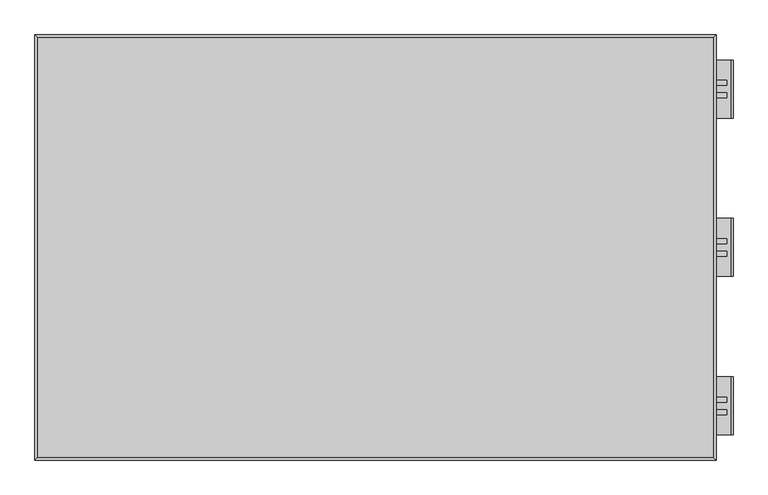
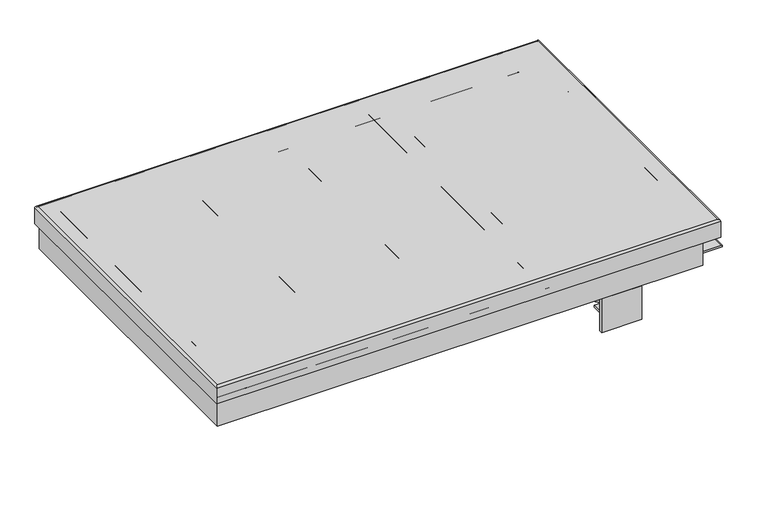
"""IFC4 building model written with IfcOpenShell, lengths in millimetres: proxy geometry."""

import ifcopenshell
import ifcopenshell.guid

model = None  # the IFC model being written
_history = None  # IfcOwnerHistory: only IFC2X3 demands one
_inside = {}  # id of a spatial element -> (the spatial element, [elements in it])
_under = {}  # id of a project, library or spatial element -> (it, [spatial elements below it])
_declared = {}  # id of a project -> (the project, [libraries it declares])
_typed = {}  # id of a type object -> (the type object, [elements of that type])
_made_of = {}  # id of a material, layer set ... -> (it, [elements and type objects made of it])


def new_model(schema):
    """Start an empty IFC model of exactly this schema.

    Asked for "IFC4X3", IfcOpenShell would pick the latest addendum, in which some entities
    have other attributes; the version numbers below select the first issue.
    IFC2X3 requires an IfcOwnerHistory on every rooted entity: one is made here for all.
    """
    global model, _history
    if schema == "IFC4X3":
        model = ifcopenshell.file(schema_version=(4, 3, 0, 0))
    else:
        model = ifcopenshell.file(schema=schema)
    _inside.clear()
    _under.clear()
    _declared.clear()
    _typed.clear()
    _made_of.clear()
    _history = None
    if model.schema == "IFC2X3":
        org = make("IfcOrganization", Name="unknown")
        user = make(
            "IfcPersonAndOrganization",
            ThePerson=make("IfcPerson", FamilyName="unknown"),
            TheOrganization=org,
        )
        app = make(
            "IfcApplication",
            ApplicationDeveloper=org,
            Version="unknown",
            ApplicationFullName="unknown",
            ApplicationIdentifier="unknown",
        )
        _history = make(
            "IfcOwnerHistory",
            OwningUser=user,
            OwningApplication=app,
            ChangeAction="ADDED",
            CreationDate=0,
        )
    return model


def make(cls, **values):
    """One entity of the class cls with the attributes given. An attribute that is None is left unset."""
    return model.create_entity(
        cls, **{name: value for name, value in values.items() if value is not None}
    )


def rooted(cls, **values):
    """An entity with a GlobalId (a new one), such as an element, a storey or a relation."""
    return make(cls, GlobalId=ifcopenshell.guid.new(), OwnerHistory=_history, **values)


def si_unit(unit_type, name, prefix=None):
    """IfcSIUnit, for example si_unit("LENGTHUNIT", "METRE", prefix="MILLI")."""
    return make("IfcSIUnit", UnitType=unit_type, Prefix=prefix, Name=name)


def assignment(units):
    """IfcUnitAssignment: the units of a project."""
    return None if units is None else make("IfcUnitAssignment", Units=units)


def point(xyz):
    """IfcCartesianPoint."""
    return None if xyz is None else make("IfcCartesianPoint", Coordinates=xyz)


def direction(xyz):
    """IfcDirection."""
    return None if xyz is None else make("IfcDirection", DirectionRatios=xyz)


def frame(location, z_axis=None, x_axis=None):
    """IfcAxis2Placement3D, a coordinate frame: its origin and axes. An axis left out is left unset."""
    return make(
        "IfcAxis2Placement3D",
        Location=point(location),
        Axis=direction(z_axis),
        RefDirection=direction(x_axis),
    )


def frame_2d(location, x_axis=None):
    """IfcAxis2Placement2D, a coordinate frame in the plane: its origin and x axis."""
    return make(
        "IfcAxis2Placement2D", Location=point(location), RefDirection=direction(x_axis)
    )


def origin():
    """The frame at (0, 0, 0) with its axes left unset."""
    return frame((0.0, 0.0, 0.0))


def origin_with_axes():
    """The frame at (0, 0, 0) with the z axis (0, 0, 1) and the x axis (1, 0, 0) written out."""
    return frame((0.0, 0.0, 0.0), z_axis=(0.0, 0.0, 1.0), x_axis=(1.0, 0.0, 0.0))


def origin_2d():
    """The frame at (0, 0) in the plane with its x axis left unset."""
    return frame_2d((0.0, 0.0))


def place(relative_to, where):
    """IfcLocalPlacement: puts the frame where relative to a parent placement (None: the world)."""
    return make(
        "IfcLocalPlacement", PlacementRelTo=relative_to, RelativePlacement=where
    )


def context(
    kind, dimensions, precision=None, world=None, true_north=None, identifier=None
):
    """IfcGeometricRepresentationContext, for example the 3D "Model" context."""
    return make(
        "IfcGeometricRepresentationContext",
        ContextIdentifier=identifier,
        ContextType=kind,
        CoordinateSpaceDimension=dimensions,
        Precision=precision,
        WorldCoordinateSystem=world,
        TrueNorth=true_north,
    )


def project(units=None, contexts=None):
    """IfcProject with its units and contexts."""
    return rooted(
        "IfcProject",
        Name="project",
        RepresentationContexts=contexts,
        UnitsInContext=assignment(units),
    )


def spatial(cls, under=None, at=None, **own):
    """A site, building, storey or space (cls), placed at a placement, below another one or the project."""
    s = rooted(cls, ObjectPlacement=at, **own)
    if under is not None:
        _under.setdefault(under.id(), (under, []))[1].append(s)
    return s


def polyline(points):
    """IfcPolyline through the points."""
    return make("IfcPolyline", Points=[point(p) for p in points])


def circle_curve(where, radius):
    """IfcCircle in the frame where."""
    return make("IfcCircle", Position=where, Radius=radius)


def ellipse_curve(where, semi_axis1, semi_axis2):
    """IfcEllipse in the frame where."""
    return make(
        "IfcEllipse", Position=where, SemiAxis1=semi_axis1, SemiAxis2=semi_axis2
    )


def trimmed(basis, trim1, trim2, sense, master):
    """IfcTrimmedCurve: the piece of a basis curve between two trims."""
    return make(
        "IfcTrimmedCurve",
        BasisCurve=basis,
        Trim1=trim1,
        Trim2=trim2,
        SenseAgreement=sense,
        MasterRepresentation=master,
    )


def segment(curve, same_sense, transition):
    """IfcCompositeCurveSegment."""
    return make(
        "IfcCompositeCurveSegment",
        Transition=transition,
        SameSense=same_sense,
        ParentCurve=curve,
    )


def composite_curve(segments, self_intersect=None):
    """IfcCompositeCurve: segments joined end to end."""
    return make("IfcCompositeCurve", Segments=segments, SelfIntersect=self_intersect)


def outline(outer, holes=None, kind="AREA"):
    """IfcArbitraryClosedProfileDef: a profile drawn as a closed curve; with holes, ...WithVoids."""
    if holes is None:
        return make("IfcArbitraryClosedProfileDef", ProfileType=kind, OuterCurve=outer)
    return make(
        "IfcArbitraryProfileDefWithVoids",
        ProfileType=kind,
        OuterCurve=outer,
        InnerCurves=holes,
    )


def extrude(swept, where, along, depth):
    """IfcExtrudedAreaSolid: the profile swept, set in the frame where, extruded along a direction by depth."""
    return make(
        "IfcExtrudedAreaSolid",
        SweptArea=swept,
        Position=where,
        ExtrudedDirection=direction(along),
        Depth=depth,
    )


def shape(context_of_items, identifier, shape_type, items):
    """IfcShapeRepresentation: the items that make up one representation, for example the "Body"."""
    return make(
        "IfcShapeRepresentation",
        ContextOfItems=context_of_items,
        RepresentationIdentifier=identifier,
        RepresentationType=shape_type,
        Items=items,
    )


def source(mapping_origin, context_of_items, identifier, shape_type, items):
    """IfcRepresentationMap: a shape defined once, which mapped items show again and again."""
    return make(
        "IfcRepresentationMap",
        MappingOrigin=mapping_origin,
        MappedRepresentation=shape(context_of_items, identifier, shape_type, items),
    )


def transform(
    local_origin,
    x_axis=None,
    y_axis=None,
    z_axis=None,
    scale=None,
    scale2=None,
    scale3=None,
    uniform=True,
):
    """IfcCartesianTransformationOperator3D, or its non-uniform kind. x_axis, y_axis, z_axis: its Axis1, 2, 3."""
    if uniform:
        return make(
            "IfcCartesianTransformationOperator3D",
            Axis1=direction(x_axis),
            Axis2=direction(y_axis),
            LocalOrigin=point(local_origin),
            Scale=scale,
            Axis3=direction(z_axis),
        )
    return make(
        "IfcCartesianTransformationOperator3DnonUniform",
        Axis1=direction(x_axis),
        Axis2=direction(y_axis),
        LocalOrigin=point(local_origin),
        Scale=scale,
        Axis3=direction(z_axis),
        Scale2=scale2,
        Scale3=scale3,
    )


def mapped(mapping_source, mapping_target):
    """IfcMappedItem: shows the shape of a source again, moved by a transform."""
    return make(
        "IfcMappedItem", MappingSource=mapping_source, MappingTarget=mapping_target
    )


def made_of(thing, what):
    """Note that an element or type object is made of a material, layer set ...; save() writes the relation."""
    if what is not None:
        _made_of.setdefault(what.id(), (what, []))[1].append(thing)
    return thing


def element(
    cls,
    number,
    at=None,
    inside=None,
    cuts=None,
    type_object=None,
    material=None,
    context=None,
    identifier="Body",
    shape_type=None,
    held_by="IfcProductDefinitionShape",
    body=None,
    shapes=None,
    **own,
):
    """One element of the class cls, such as IfcWall. Its Tag is "e" and its number.

    at: its placement. inside: the storey or other place that contains it. cuts: it is an
    opening in that element (IfcRelVoidsElement). A single representation is given by context,
    identifier, shape_type and body (its items); several are given by shapes. held_by: the class
    of the entity that holds the representations. save() writes the other relations.
    """
    e = rooted(cls, Tag="e%d" % number, ObjectPlacement=at, **own)
    if body is not None:
        shapes = [shape(context, identifier, shape_type, body)]
    if shapes is not None:
        e.Representation = make(held_by, Representations=shapes)
    if inside is not None:
        _inside.setdefault(inside.id(), (inside, []))[1].append(e)
    if cuts is not None:
        rooted(
            "IfcRelVoidsElement", RelatingBuildingElement=cuts, RelatedOpeningElement=e
        )
    if type_object is not None:
        _typed.setdefault(type_object.id(), (type_object, []))[1].append(e)
    return made_of(e, material)


def aggregate(whole, parts):
    """IfcRelAggregates: a whole, such as a stair, and the parts it consists of."""
    return rooted("IfcRelAggregates", RelatingObject=whole, RelatedObjects=parts)


def save(model, path):
    """Write the relations noted so far, then the file.

    IfcRelAggregates (storeys below a building ...), IfcRelContainedInSpatialStructure (elements
    in a storey), IfcRelDefinesByType, IfcRelAssociatesMaterial and IfcRelDeclares: one each for
    every whole, place, type object, material and project.
    """
    for whole, parts in _under.values():
        aggregate(whole, parts)
    for where, things in _inside.values():
        rooted(
            "IfcRelContainedInSpatialStructure",
            RelatedElements=things,
            RelatingStructure=where,
        )
    for kind, things in _typed.values():
        rooted("IfcRelDefinesByType", RelatedObjects=things, RelatingType=kind)
    for what, things in _made_of.values():
        rooted("IfcRelAssociatesMaterial", RelatedObjects=things, RelatingMaterial=what)
    for by, libraries in _declared.values():
        rooted("IfcRelDeclares", RelatingContext=by, RelatedDefinitions=libraries)
    model.write(path)


def plane_surface(at):
    """IfcPlane: the flat surface through the origin of the frame at, square to its z axis."""
    return make("IfcPlane", Position=at)


def cylinder_surface(at, radius):
    """IfcCylindricalSurface: all points at the distance radius from the z axis of the frame at."""
    return make("IfcCylindricalSurface", Position=at, Radius=radius)


def revolved_surface(curve, axis_point, axis_direction):
    """IfcSurfaceOfRevolution: the curve turned about the line through axis_point along axis_direction."""
    return make(
        "IfcSurfaceOfRevolution",
        SweptCurve=make("IfcArbitraryOpenProfileDef", ProfileType="CURVE", Curve=curve),
        AxisPosition=make("IfcAxis1Placement", Location=point(axis_point), Axis=direction(axis_direction)),
    )


def advanced_brep(points, edges, surfaces, faces):
    """IfcAdvancedBrep: a solid bounded by faces that lie on surfaces and meet in shared edges.

    An edge is (start, end): straight between two places in points (the first is 0);
    or (start, end, curve); or (start, end, curve, False) where it runs against its curve.
    A face is (place in surfaces, loops), or (place, loops, False) where it looks against
    its surface's normal. A loop lists edges by number (the first is 1), with a minus sign
    where the edge is run from its end to its start. The first loop is the outer one.
    """
    corners = [point(p) for p in points]
    vertices = [make("IfcVertexPoint", VertexGeometry=c) for c in corners]
    made = []
    for start, end, *more in edges:
        made.append(
            make(
                "IfcEdgeCurve",
                EdgeStart=vertices[start],
                EdgeEnd=vertices[end],
                EdgeGeometry=more[0] if more else make("IfcPolyline", Points=[corners[start], corners[end]]),
                SameSense=more[1] if len(more) > 1 else True,
            )
        )
    hull = []
    for where, loops, *sense in faces:
        bounds = []
        for j, loop in enumerate(loops):
            ring = [make("IfcOrientedEdge", EdgeElement=made[abs(k) - 1], Orientation=k > 0) for k in loop]
            bounds.append(
                make(
                    "IfcFaceOuterBound" if j == 0 else "IfcFaceBound",
                    Bound=make("IfcEdgeLoop", EdgeList=ring),
                    Orientation=True,
                )
            )
        hull.append(make("IfcAdvancedFace", Bounds=bounds, FaceSurface=surfaces[where], SameSense=sense[0] if sense else True))
    return make("IfcAdvancedBrep", Outer=make("IfcClosedShell", CfsFaces=hull))


def generic_models_17fe11a5(model_context):
    return source(origin(), model_context, "Body", "SolidModel", [
        extrude(outline(composite_curve([segment(trimmed(circle_curve(frame_2d((213.0, 644.5)), 8.0), [point((205.0, 644.5))], [point((213.0, 652.5))], False, "CARTESIAN"), True, "CONTINUOUS"), segment(polyline([(213.0, 652.5), (297.0, 652.5)]), True, "CONTINUOUS"), segment(trimmed(circle_curve(frame_2d((297.0, 644.5)), 8.0), [point((297.0, 652.5))], [point((305.0, 644.5))], False, "CARTESIAN"), True, "CONTINUOUS"), segment(polyline([(305.0, 644.5), (305.0, 610.5)]), True, "CONTINUOUS"), segment(trimmed(circle_curve(frame_2d((297.0, 610.5)), 8.0), [point((305.0, 610.5))], [point((297.0, 602.5))], False, "CARTESIAN"), True, "CONTINUOUS"), segment(polyline([(297.0, 602.5), (213.0, 602.5)]), True, "CONTINUOUS"), segment(trimmed(circle_curve(frame_2d((213.0, 610.5)), 8.0), [point((213.0, 602.5))], [point((205.0, 610.5))], False, "CARTESIAN"), True, "CONTINUOUS"), segment(polyline([(205.0, 610.5), (205.0, 644.5)]), True, "CONTINUOUS")], self_intersect=False)), frame((0.0, -935.0, 0.0), z_axis=(0.0, 1.0, 0.0), x_axis=(0.0, 0.0, 1.0)), (0.0, 0.0, 1.0), 1870.0),
        extrude(outline(composite_curve([segment(trimmed(circle_curve(frame_2d((213.0, -80.5)), 8.0), [point((205.0, -80.5))], [point((213.0, -72.5))], False, "CARTESIAN"), True, "CONTINUOUS"), segment(polyline([(213.0, -72.5), (297.0, -72.5)]), True, "CONTINUOUS"), segment(trimmed(circle_curve(frame_2d((297.0, -80.5)), 8.0), [point((297.0, -72.5))], [point((305.0, -80.5))], False, "CARTESIAN"), True, "CONTINUOUS"), segment(polyline([(305.0, -80.5), (305.0, -114.5)]), True, "CONTINUOUS"), segment(trimmed(circle_curve(frame_2d((297.0, -114.5)), 8.0), [point((305.0, -114.5))], [point((297.0, -122.5))], False, "CARTESIAN"), True, "CONTINUOUS"), segment(polyline([(297.0, -122.5), (213.0, -122.5)]), True, "CONTINUOUS"), segment(trimmed(circle_curve(frame_2d((213.0, -114.5)), 8.0), [point((213.0, -122.5))], [point((205.0, -114.5))], False, "CARTESIAN"), True, "CONTINUOUS"), segment(polyline([(205.0, -114.5), (205.0, -80.5)]), True, "CONTINUOUS")], self_intersect=False)), frame((0.0, -935.0, 0.0), z_axis=(0.0, 1.0, 0.0), x_axis=(0.0, 0.0, 1.0)), (0.0, 0.0, 1.0), 1870.0),
        extrude(outline(composite_curve([segment(trimmed(circle_curve(frame_2d((213.0, -805.5)), 8.0), [point((205.0, -805.5))], [point((213.0, -797.5))], False, "CARTESIAN"), True, "CONTINUOUS"), segment(polyline([(213.0, -797.5), (297.0, -797.5)]), True, "CONTINUOUS"), segment(trimmed(circle_curve(frame_2d((297.0, -805.5)), 8.0), [point((297.0, -797.5))], [point((305.0, -805.5))], False, "CARTESIAN"), True, "CONTINUOUS"), segment(polyline([(305.0, -805.5), (305.0, -839.5)]), True, "CONTINUOUS"), segment(trimmed(circle_curve(frame_2d((297.0, -839.5)), 8.0), [point((305.0, -839.5))], [point((297.0, -847.5))], False, "CARTESIAN"), True, "CONTINUOUS"), segment(polyline([(297.0, -847.5), (213.0, -847.5)]), True, "CONTINUOUS"), segment(trimmed(circle_curve(frame_2d((213.0, -839.5)), 8.0), [point((213.0, -847.5))], [point((205.0, -839.5))], False, "CARTESIAN"), True, "CONTINUOUS"), segment(polyline([(205.0, -839.5), (205.0, -805.5)]), True, "CONTINUOUS")], self_intersect=False)), frame((0.0, -935.0, 0.0), z_axis=(0.0, 1.0, 0.0), x_axis=(0.0, 0.0, 1.0)), (0.0, 0.0, 1.0), 1870.0),
        extrude(outline(composite_curve([segment(trimmed(circle_curve(origin_2d(), 30.0), [point((0.0, -30.0))], [point((0.0, 30.0))], False, "CARTESIAN"), True, "CONTINUOUS"), segment(trimmed(circle_curve(origin_2d(), 30.0), [point((0.0, 30.0))], [point((0.0, -30.0))], False, "CARTESIAN"), True, "CONTINUOUS")], self_intersect=False)), frame((1165.277992, 795.0, -229.5871707), z_axis=(-0.8670000719043638, 0.0, 0.49830801249611495), x_axis=(0.0, 1.0, 0.0)), (0.0, 0.0, 1.0), 710.0),
        extrude(outline(composite_curve([segment(trimmed(circle_curve(frame_2d((-255.0008793, 1209.4949957)), 32.5), [point((-283.1783817, 1193.2999853))], [point((-226.823377, 1225.6900061))], False, "CARTESIAN"), True, "CONTINUOUS"), segment(polyline([(-226.823377, 1225.6900061), (-201.4096684, 1181.4730024), (-257.764673, 1149.0829816), (-283.1783817, 1193.2999853)]), True, "CONTINUOUS")], self_intersect=False)), frame((0.0, 782.5, 0.0), z_axis=(0.0, 1.0, 0.0), x_axis=(0.0, 0.0, 1.0)), (0.0, 0.0, 1.0), 25.0),
        extrude(outline(composite_curve([segment(polyline([(102.5874068, 537.2794899), (145.8356295, 562.136392), (180.8022099, 515.025811)]), True, "CONTINUOUS"), segment(trimmed(circle_curve(frame_2d((155.1066149, 495.9539365)), 32.0), [point((180.8022099, 515.025811))], [point((125.6926498, 483.351609))], False, "CARTESIAN"), True, "CONTINUOUS"), segment(polyline([(125.6926498, 483.351609), (102.5874068, 537.2794899)]), True, "CONTINUOUS")], self_intersect=False)), frame((0.0, 782.5, 0.0), z_axis=(0.0, 1.0, 0.0), x_axis=(0.0, 0.0, 1.0)), (0.0, 0.0, 1.0), 25.0),
        extrude(outline(composite_curve([segment(polyline([(179.644661, 430.4268695), (133.7867966, 476.2847339)]), True, "CONTINUOUS"), segment(trimmed(circle_curve(frame_2d((155.0000001, 497.4979373)), 30.0), [point((133.7867966, 476.2847339))], [point((155.0000001, 527.4979373))], False, "CARTESIAN"), True, "CONTINUOUS"), segment(polyline([(155.0000001, 527.4979373), (205.0000001, 527.4979373), (205.0000001, 427.4979373), (186.7157288, 427.4979373)]), True, "CONTINUOUS"), segment(trimmed(circle_curve(frame_2d((186.7157288, 437.4979373)), 10.0), [point((186.7157288, 427.4979373))], [point((179.644661, 430.4268695))], False, "CARTESIAN"), True, "CONTINUOUS")], self_intersect=False)), frame((0.0, 760.0, 0.0), z_axis=(0.0, 1.0, 0.0), x_axis=(0.0, 0.0, 1.0)), (0.0, 0.0, 1.0), 20.0),
        extrude(outline(composite_curve([segment(polyline([(179.644661, 430.4268695), (133.7867966, 476.2847339)]), True, "CONTINUOUS"), segment(trimmed(circle_curve(frame_2d((155.0000001, 497.4979373)), 30.0), [point((133.7867966, 476.2847339))], [point((155.0000001, 527.4979373))], False, "CARTESIAN"), True, "CONTINUOUS"), segment(polyline([(155.0000001, 527.4979373), (205.0000001, 527.4979373), (205.0000001, 427.4979373), (186.7157288, 427.4979373)]), True, "CONTINUOUS"), segment(trimmed(circle_curve(frame_2d((186.7157288, 437.4979373)), 10.0), [point((186.7157288, 427.4979373))], [point((179.644661, 430.4268695))], False, "CARTESIAN"), True, "CONTINUOUS")], self_intersect=False)), frame((0.0, 810.0, 0.0), z_axis=(0.0, 1.0, 0.0), x_axis=(0.0, 0.0, 1.0)), (0.0, 0.0, 1.0), 20.0),
        extrude(outline(composite_curve([segment(trimmed(circle_curve(origin_2d(), 30.0), [point((0.0, -30.0))], [point((0.0, 30.0))], False, "CARTESIAN"), True, "CONTINUOUS"), segment(trimmed(circle_curve(origin_2d(), 30.0), [point((0.0, 30.0))], [point((0.0, -30.0))], False, "CARTESIAN"), True, "CONTINUOUS")], self_intersect=False)), frame((1165.277992, -795.0, -229.5871707), z_axis=(-0.8670000719043638, 0.0, 0.49830801249611495), x_axis=(0.0, 1.0, 0.0)), (0.0, 0.0, 1.0), 710.0),
        extrude(outline(composite_curve([segment(trimmed(circle_curve(frame_2d((-255.0008793, 1209.4949957)), 32.5), [point((-283.1783817, 1193.2999853))], [point((-226.823377, 1225.6900061))], False, "CARTESIAN"), True, "CONTINUOUS"), segment(polyline([(-226.823377, 1225.6900061), (-201.4096684, 1181.4730024), (-257.764673, 1149.0829816), (-283.1783817, 1193.2999853)]), True, "CONTINUOUS")], self_intersect=False)), frame((0.0, -807.5, 0.0), z_axis=(0.0, 1.0, 0.0), x_axis=(0.0, 0.0, 1.0)), (0.0, 0.0, 1.0), 25.0),
        extrude(outline(composite_curve([segment(polyline([(102.5874068, 537.2794899), (145.8356295, 562.136392), (180.8022099, 515.025811)]), True, "CONTINUOUS"), segment(trimmed(circle_curve(frame_2d((155.1066149, 495.9539365)), 32.0), [point((180.8022099, 515.025811))], [point((125.6926498, 483.351609))], False, "CARTESIAN"), True, "CONTINUOUS"), segment(polyline([(125.6926498, 483.351609), (102.5874068, 537.2794899)]), True, "CONTINUOUS")], self_intersect=False)), frame((0.0, -807.5, 0.0), z_axis=(0.0, 1.0, 0.0), x_axis=(0.0, 0.0, 1.0)), (0.0, 0.0, 1.0), 25.0),
        extrude(outline(composite_curve([segment(polyline([(179.644661, 430.4268695), (133.7867966, 476.2847339)]), True, "CONTINUOUS"), segment(trimmed(circle_curve(frame_2d((155.0000001, 497.4979373)), 30.0), [point((133.7867966, 476.2847339))], [point((155.0000001, 527.4979373))], False, "CARTESIAN"), True, "CONTINUOUS"), segment(polyline([(155.0000001, 527.4979373), (205.0000001, 527.4979373), (205.0000001, 427.4979373), (186.7157288, 427.4979373)]), True, "CONTINUOUS"), segment(trimmed(circle_curve(frame_2d((186.7157288, 437.4979373)), 10.0), [point((186.7157288, 427.4979373))], [point((179.644661, 430.4268695))], False, "CARTESIAN"), True, "CONTINUOUS")], self_intersect=False)), frame((0.0, -830.0, 0.0), z_axis=(0.0, 1.0, 0.0), x_axis=(0.0, 0.0, 1.0)), (0.0, 0.0, 1.0), 20.0),
        extrude(outline(composite_curve([segment(polyline([(179.644661, 430.4268695), (133.7867966, 476.2847339)]), True, "CONTINUOUS"), segment(trimmed(circle_curve(frame_2d((155.0000001, 497.4979373)), 30.0), [point((133.7867966, 476.2847339))], [point((155.0000001, 527.4979373))], False, "CARTESIAN"), True, "CONTINUOUS"), segment(polyline([(155.0000001, 527.4979373), (205.0000001, 527.4979373), (205.0000001, 427.4979373), (186.7157288, 427.4979373)]), True, "CONTINUOUS"), segment(trimmed(circle_curve(frame_2d((186.7157288, 437.4979373)), 10.0), [point((186.7157288, 427.4979373))], [point((179.644661, 430.4268695))], False, "CARTESIAN"), True, "CONTINUOUS")], self_intersect=False)), frame((0.0, -780.0, 0.0), z_axis=(0.0, 1.0, 0.0), x_axis=(0.0, 0.0, 1.0)), (0.0, 0.0, 1.0), 20.0),
        extrude(outline(composite_curve([segment(trimmed(circle_curve(frame_2d((213.0, 519.4979373)), 8.0), [point((205.0, 519.4979373))], [point((213.0, 527.4979373))], False, "CARTESIAN"), True, "CONTINUOUS"), segment(polyline([(213.0, 527.4979373), (297.0, 527.4979373)]), True, "CONTINUOUS"), segment(trimmed(circle_curve(frame_2d((297.0, 519.4979373)), 8.0), [point((297.0, 527.4979373))], [point((305.0, 519.4979373))], False, "CARTESIAN"), True, "CONTINUOUS"), segment(polyline([(305.0, 519.4979373), (305.0, 435.4979373)]), True, "CONTINUOUS"), segment(trimmed(circle_curve(frame_2d((297.0, 435.4979373)), 8.0), [point((305.0, 435.4979373))], [point((297.0, 427.4979373))], False, "CARTESIAN"), True, "CONTINUOUS"), segment(polyline([(297.0, 427.4979373), (213.0, 427.4979373)]), True, "CONTINUOUS"), segment(trimmed(circle_curve(frame_2d((213.0, 435.4979373)), 8.0), [point((213.0, 427.4979373))], [point((205.0, 435.4979373))], False, "CARTESIAN"), True, "CONTINUOUS"), segment(polyline([(205.0, 435.4979373), (205.0, 519.4979373)]), True, "CONTINUOUS")], self_intersect=False)), frame((0.0, -935.0, 0.0), z_axis=(0.0, 1.0, 0.0), x_axis=(0.0, 0.0, 1.0)), (0.0, 0.0, 1.0), 1870.0),
        extrude(outline(composite_curve([segment(polyline([(-271.4580643, 1318.0002775), (-220.3598633, 1229.4955971)]), True, "CONTINUOUS"), segment(trimmed(circle_curve(frame_2d((-255.0008794, 1209.4955971)), 40.0), [point((-220.3598633, 1229.4955971))], [point((-255.0008794, 1169.4955971))], False, "CARTESIAN"), True, "CONTINUOUS"), segment(polyline([(-255.0008794, 1169.4955971), (-295.0008794, 1169.4955971), (-295.0008794, 1325.5002775), (-284.4484453, 1325.5002775)]), True, "CONTINUOUS"), segment(trimmed(circle_curve(frame_2d((-284.4484453, 1310.5002775)), 15.0), [point((-284.4484453, 1325.5002775))], [point((-271.4580643, 1318.0002775))], False, "CARTESIAN"), True, "CONTINUOUS")], self_intersect=False)), frame((0.0, -855.0, 0.0), z_axis=(0.0, 1.0, 0.0), x_axis=(0.0, 0.0, 1.0)), (0.0, 0.0, 1.0), 45.0),
        extrude(outline(composite_curve([segment(polyline([(-271.4580643, 1318.0002775), (-220.3598633, 1229.4955971)]), True, "CONTINUOUS"), segment(trimmed(circle_curve(frame_2d((-255.0008794, 1209.4955971)), 40.0), [point((-220.3598633, 1229.4955971))], [point((-255.0008794, 1169.4955971))], False, "CARTESIAN"), True, "CONTINUOUS"), segment(polyline([(-255.0008794, 1169.4955971), (-295.0008794, 1169.4955971), (-295.0008794, 1325.5002775), (-284.4484453, 1325.5002775)]), True, "CONTINUOUS"), segment(trimmed(circle_curve(frame_2d((-284.4484453, 1310.5002775)), 15.0), [point((-284.4484453, 1325.5002775))], [point((-271.4580643, 1318.0002775))], False, "CARTESIAN"), True, "CONTINUOUS")], self_intersect=False)), frame((0.0, -780.0, 0.0), z_axis=(0.0, 1.0, 0.0), x_axis=(0.0, 0.0, 1.0)), (0.0, 0.0, 1.0), 20.0),
        extrude(outline(polyline([(-760.0, -320.0008794), (-845.0, -394.9288138), (-855.0, -394.9288138), (-855.0, -323.7602132), (-839.3910901, -310.0008794), (-760.0, -310.0008794), (-760.0, -320.0008794)])), frame((1184.9979373, 0.0, 0.0), z_axis=(1.0, 0.0, 0.0), x_axis=(0.0, 1.0, 0.0)), (0.0, 0.0, 1.0), 15.0),
        extrude(outline(polyline([(-760.0, -320.0008794), (-845.0, -394.9288138), (-855.0, -394.9288138), (-855.0, -323.7602132), (-839.3910901, -310.0008794), (-760.0, -310.0008794), (-760.0, -320.0008794)])), frame((1294.9979373, 0.0, 0.0), z_axis=(1.0, 0.0, 0.0), x_axis=(0.0, 1.0, 0.0)), (0.0, 0.0, 1.0), 15.0),
        extrude(outline(polyline([(1127.4979373, -750.0), (1367.4979373, -750.0), (1367.4979373, -855.0), (1127.4979373, -855.0), (1127.4979373, -750.0)])), frame((0.0, 0.0, -310.0008794), z_axis=(0.0, 0.0, 1.0), x_axis=(1.0, 0.0, 0.0)), (0.0, 0.0, 1.0), 15.0),
        extrude(outline(polyline([(1107.4979373, -855.0), (1387.4979373, -855.0), (1387.4979373, -875.0), (1107.4979373, -875.0), (1107.4979373, -855.0)])), frame((0.0, 0.0, -414.9288138), z_axis=(0.0, 0.0, 1.0), x_axis=(1.0, 0.0, 0.0)), (0.0, 0.0, 1.0), 250.0),
        extrude(outline(composite_curve([segment(polyline([(-271.4580643, 1318.0002775), (-220.3598633, 1229.4955971)]), True, "CONTINUOUS"), segment(trimmed(circle_curve(frame_2d((-255.0008794, 1209.4955971)), 40.0), [point((-220.3598633, 1229.4955971))], [point((-255.0008794, 1169.4955971))], False, "CARTESIAN"), True, "CONTINUOUS"), segment(polyline([(-255.0008794, 1169.4955971), (-295.0008794, 1169.4955971), (-295.0008794, 1325.5002775), (-284.4484453, 1325.5002775)]), True, "CONTINUOUS"), segment(trimmed(circle_curve(frame_2d((-284.4484453, 1310.5002775)), 15.0), [point((-284.4484453, 1325.5002775))], [point((-271.4580643, 1318.0002775))], False, "CARTESIAN"), True, "CONTINUOUS")], self_intersect=False)), frame((0.0, 810.0, 0.0), z_axis=(0.0, 1.0, 0.0), x_axis=(0.0, 0.0, 1.0)), (0.0, 0.0, 1.0), 45.0),
        extrude(outline(composite_curve([segment(polyline([(-271.4580643, 1318.0002775), (-220.3598633, 1229.4955971)]), True, "CONTINUOUS"), segment(trimmed(circle_curve(frame_2d((-255.0008794, 1209.4955971)), 40.0), [point((-220.3598633, 1229.4955971))], [point((-255.0008794, 1169.4955971))], False, "CARTESIAN"), True, "CONTINUOUS"), segment(polyline([(-255.0008794, 1169.4955971), (-295.0008794, 1169.4955971), (-295.0008794, 1325.5002775), (-284.4484453, 1325.5002775)]), True, "CONTINUOUS"), segment(trimmed(circle_curve(frame_2d((-284.4484453, 1310.5002775)), 15.0), [point((-284.4484453, 1325.5002775))], [point((-271.4580643, 1318.0002775))], False, "CARTESIAN"), True, "CONTINUOUS")], self_intersect=False)), frame((0.0, 760.0, 0.0), z_axis=(0.0, 1.0, 0.0), x_axis=(0.0, 0.0, 1.0)), (0.0, 0.0, 1.0), 20.0),
        extrude(outline(polyline([(760.0, -320.0008794), (760.0, -310.0008794), (839.3910901, -310.0008794), (855.0, -323.7602132), (855.0, -394.9288138), (845.0, -394.9288138), (760.0, -320.0008794)])), frame((1184.9979373, 0.0, 0.0), z_axis=(1.0, 0.0, 0.0), x_axis=(0.0, 1.0, 0.0)), (0.0, 0.0, 1.0), 15.0),
        extrude(outline(polyline([(760.0, -320.0008794), (760.0, -310.0008794), (839.3910901, -310.0008794), (855.0, -323.7602132), (855.0, -394.9288138), (845.0, -394.9288138), (760.0, -320.0008794)])), frame((1294.9979373, 0.0, 0.0), z_axis=(1.0, 0.0, 0.0), x_axis=(0.0, 1.0, 0.0)), (0.0, 0.0, 1.0), 15.0),
        extrude(outline(polyline([(1127.4979373, 750.0), (1127.4979373, 855.0), (1367.4979373, 855.0), (1367.4979373, 750.0), (1127.4979373, 750.0)])), frame((0.0, 0.0, -310.0008794), z_axis=(0.0, 0.0, 1.0), x_axis=(1.0, 0.0, 0.0)), (0.0, 0.0, 1.0), 15.0),
        extrude(outline(polyline([(1107.4979373, 855.0), (1107.4979373, 875.0), (1387.4979373, 875.0), (1387.4979373, 855.0), (1107.4979373, 855.0)])), frame((0.0, 0.0, -414.9288138), z_axis=(0.0, 0.0, 1.0), x_axis=(1.0, 0.0, 0.0)), (0.0, 0.0, 1.0), 250.0),
        extrude(outline(composite_curve([segment(trimmed(circle_curve(frame_2d((205.0, 1762.5)), 40.0), [point((224.0838293, 1797.6540532))], [point((227.9430575, 1729.7339182))], False, "CARTESIAN"), True, "CONTINUOUS"), segment(polyline([(227.9430575, 1729.7339182), (204.7586195, 1713.5), (191.0, 1713.5), (36.0, 1713.5), (16.0, 1733.5), (16.0, 1863.5), (102.7899379, 1863.5), (224.0838293, 1797.6540532)]), True, "CONTINUOUS")], self_intersect=False)), frame((0.0, -865.0, 0.0), z_axis=(0.0, 1.0, 0.0), x_axis=(0.0, 0.0, 1.0)), (0.0, 0.0, 1.0), 25.0),
        extrude(outline(composite_curve([segment(trimmed(circle_curve(frame_2d((205.0, 1762.5)), 40.0), [point((224.0838293, 1797.6540532))], [point((227.9430575, 1729.7339182))], False, "CARTESIAN"), True, "CONTINUOUS"), segment(polyline([(227.9430575, 1729.7339182), (204.7586195, 1713.5), (191.0, 1713.5), (36.0, 1713.5), (16.0, 1733.5), (16.0, 1863.5), (102.7899379, 1863.5), (224.0838293, 1797.6540532)]), True, "CONTINUOUS")], self_intersect=False)), frame((0.0, -800.0, 0.0), z_axis=(0.0, 1.0, 0.0), x_axis=(0.0, 0.0, 1.0)), (0.0, 0.0, 1.0), 25.0),
        extrude(outline(composite_curve([segment(polyline([(200.0, 1704.5), (200.0, 1697.5), (0.0, 1697.5), (0.0, 1897.5), (7.0, 1897.5)]), True, "CONTINUOUS"), segment(trimmed(circle_curve(frame_2d((7.0, 1888.5)), 9.0), [point((7.0, 1897.5))], [point((16.0, 1888.5))], False, "CARTESIAN"), True, "CONTINUOUS"), segment(polyline([(16.0, 1888.5), (16.0, 1731.5)]), True, "CONTINUOUS"), segment(trimmed(circle_curve(frame_2d((34.0, 1731.5)), 18.0), [point((16.0, 1731.5))], [point((34.0, 1713.5))], True, "CARTESIAN"), True, "CONTINUOUS"), segment(polyline([(34.0, 1713.5), (191.0, 1713.5)]), True, "CONTINUOUS"), segment(trimmed(circle_curve(frame_2d((191.0, 1704.5)), 9.0), [point((191.0, 1713.5))], [point((200.0, 1704.5))], False, "CARTESIAN"), True, "CONTINUOUS")], self_intersect=False)), frame((0.0, -970.0, 0.0), z_axis=(0.0, 1.0, 0.0), x_axis=(0.0, 0.0, 1.0)), (0.0, 0.0, 1.0), 300.0),
        extrude(outline(composite_curve([segment(trimmed(circle_curve(frame_2d((205.0, 1762.5)), 40.0), [point((224.0838293, 1797.6540532))], [point((227.9430575, 1729.7339182))], False, "CARTESIAN"), True, "CONTINUOUS"), segment(polyline([(227.9430575, 1729.7339182), (204.7586195, 1713.5), (191.0, 1713.5), (36.0, 1713.5), (16.0, 1733.5), (16.0, 1863.5), (102.7899379, 1863.5), (224.0838293, 1797.6540532)]), True, "CONTINUOUS")], self_intersect=False)), frame((0.0, 775.0, 0.0), z_axis=(0.0, 1.0, 0.0), x_axis=(0.0, 0.0, 1.0)), (0.0, 0.0, 1.0), 25.0),
        extrude(outline(composite_curve([segment(trimmed(circle_curve(frame_2d((205.0, 1762.5)), 40.0), [point((224.0838293, 1797.6540532))], [point((227.9430575, 1729.7339182))], False, "CARTESIAN"), True, "CONTINUOUS"), segment(polyline([(227.9430575, 1729.7339182), (204.7586195, 1713.5), (191.0, 1713.5), (36.0, 1713.5), (16.0, 1733.5), (16.0, 1863.5), (102.7899379, 1863.5), (224.0838293, 1797.6540532)]), True, "CONTINUOUS")], self_intersect=False)), frame((0.0, 840.0, 0.0), z_axis=(0.0, 1.0, 0.0), x_axis=(0.0, 0.0, 1.0)), (0.0, 0.0, 1.0), 25.0),
        extrude(outline(composite_curve([segment(polyline([(200.0, 1704.5), (200.0, 1697.5), (0.0, 1697.5), (0.0, 1897.5), (7.0, 1897.5)]), True, "CONTINUOUS"), segment(trimmed(circle_curve(frame_2d((7.0, 1888.5)), 9.0), [point((7.0, 1897.5))], [point((16.0, 1888.5))], False, "CARTESIAN"), True, "CONTINUOUS"), segment(polyline([(16.0, 1888.5), (16.0, 1731.5)]), True, "CONTINUOUS"), segment(trimmed(circle_curve(frame_2d((34.0, 1731.5)), 18.0), [point((16.0, 1731.5))], [point((34.0, 1713.5))], True, "CARTESIAN"), True, "CONTINUOUS"), segment(polyline([(34.0, 1713.5), (191.0, 1713.5)]), True, "CONTINUOUS"), segment(trimmed(circle_curve(frame_2d((191.0, 1704.5)), 9.0), [point((191.0, 1713.5))], [point((200.0, 1704.5))], False, "CARTESIAN"), True, "CONTINUOUS")], self_intersect=False)), frame((0.0, 670.0, 0.0), z_axis=(0.0, 1.0, 0.0), x_axis=(0.0, 0.0, 1.0)), (0.0, 0.0, 1.0), 300.0),
        extrude(outline(composite_curve([segment(trimmed(circle_curve(frame_2d((205.0, 1762.5)), 40.0), [point((224.0838293, 1797.6540532))], [point((227.9430575, 1729.7339182))], False, "CARTESIAN"), True, "CONTINUOUS"), segment(polyline([(227.9430575, 1729.7339182), (204.7586195, 1713.5), (191.0, 1713.5), (36.0, 1713.5), (16.0, 1733.5), (16.0, 1863.5), (102.7899379, 1863.5), (224.0838293, 1797.6540532)]), True, "CONTINUOUS")], self_intersect=False)), frame((0.0, -45.0, 0.0), z_axis=(0.0, 1.0, 0.0), x_axis=(0.0, 0.0, 1.0)), (0.0, 0.0, 1.0), 25.0),
        extrude(outline(composite_curve([segment(trimmed(circle_curve(frame_2d((205.0, 1762.5)), 40.0), [point((224.0838293, 1797.6540532))], [point((227.9430575, 1729.7339182))], False, "CARTESIAN"), True, "CONTINUOUS"), segment(polyline([(227.9430575, 1729.7339182), (204.7586195, 1713.5), (191.0, 1713.5), (36.0, 1713.5), (16.0, 1733.5), (16.0, 1863.5), (102.7899379, 1863.5), (224.0838293, 1797.6540532)]), True, "CONTINUOUS")], self_intersect=False)), frame((0.0, 20.0, 0.0), z_axis=(0.0, 1.0, 0.0), x_axis=(0.0, 0.0, 1.0)), (0.0, 0.0, 1.0), 25.0),
        extrude(outline(composite_curve([segment(polyline([(200.0, 1704.5), (200.0, 1697.5), (0.0, 1697.5), (0.0, 1897.5), (7.0, 1897.5)]), True, "CONTINUOUS"), segment(trimmed(circle_curve(frame_2d((7.0, 1888.5)), 9.0), [point((7.0, 1897.5))], [point((16.0, 1888.5))], False, "CARTESIAN"), True, "CONTINUOUS"), segment(polyline([(16.0, 1888.5), (16.0, 1731.5)]), True, "CONTINUOUS"), segment(trimmed(circle_curve(frame_2d((34.0, 1731.5)), 18.0), [point((16.0, 1731.5))], [point((34.0, 1713.5))], True, "CARTESIAN"), True, "CONTINUOUS"), segment(polyline([(34.0, 1713.5), (191.0, 1713.5)]), True, "CONTINUOUS"), segment(trimmed(circle_curve(frame_2d((191.0, 1704.5)), 9.0), [point((191.0, 1713.5))], [point((200.0, 1704.5))], False, "CARTESIAN"), True, "CONTINUOUS")], self_intersect=False)), frame((0.0, -150.0, 0.0), z_axis=(0.0, 1.0, 0.0), x_axis=(0.0, 0.0, 1.0)), (0.0, 0.0, 1.0), 300.0),
        extrude(outline(polyline([(1697.5, -1080.0), (-1697.5, -1080.0), (-1697.5, 1080.0), (1697.5, 1080.0), (1697.5, -1080.0)]), holes=[polyline([(1497.5, 880.0), (-1497.5, 880.0), (-1497.5, -880.0), (1497.5, -880.0), (1497.5, 880.0)])]), origin_with_axes(), (0.0, 0.0, 1.0), 190.0),
        advanced_brep(
        [(1809.5, 1100.0, 300.0), (1797.5, 1088.0, 312.0), (1797.5, -1088.0, 312.0), (1809.5, -1100.0, 300.0), (1809.5, -1100.0, 182.0), (1809.5, 1100.0, 182.0), (1803.5, 1094.0, 300.0), (1803.5, 1094.0, 182.0), (1803.5, -1094.0, 182.0), (1803.5, -1094.0, 300.0), (1797.5, -1088.0, 306.0), (1797.5, 1088.0, 306.0), (-1703.5, -1088.0, 312.0), (-1715.5, -1100.0, 300.0), (-1715.5, -1100.0, 182.0), (-1709.5, -1094.0, 182.0), (-1709.5, -1094.0, 300.0), (-1703.5, -1088.0, 306.0), (-1703.5, 1088.0, 312.0), (-1715.5, 1100.0, 300.0), (-1715.5, 1100.0, 182.0), (-1709.5, 1094.0, 182.0), (-1709.5, 1094.0, 300.0), (-1703.5, 1088.0, 306.0)],
        [
            (0, 1, ellipse_curve(frame((1797.5, 1088.0, 300.0), z_axis=(0.7071067811865475, -0.7071067811865475, 0.0), x_axis=(0.7071067811865474, 0.7071067811865476, 0.0)), 16.9705627, 12.0)),
            (1, 2),
            (2, 3, ellipse_curve(frame((1797.5, -1088.0, 300.0), z_axis=(0.7071067811865475, 0.7071067811865475, 0.0), x_axis=(-0.7071067811865474, 0.7071067811865476, 0.0)), 16.9705627, 12.0)),
            (3, 0),
            (3, 4),
            (4, 5),
            (5, 0),
            (6, 7),
            (7, 8),
            (8, 9),
            (9, 6),
            (9, 10, ellipse_curve(frame((1797.5, -1088.0, 300.0), z_axis=(-0.7071067811865475, -0.7071067811865475, 0.0), x_axis=(0.7071067811865474, -0.7071067811865476, 0.0)), 8.4852814, 6.0)),
            (10, 11),
            (11, 6, ellipse_curve(frame((1797.5, 1088.0, 300.0), z_axis=(-0.7071067811865475, 0.7071067811865475, 0.0), x_axis=(-0.7071067811865474, -0.7071067811865476, 0.0)), 8.4852814, 6.0)),
            (2, 12),
            (12, 13, ellipse_curve(frame((-1703.5, -1088.0, 300.0), z_axis=(0.7071067811865475, -0.7071067811865475, 0.0), x_axis=(0.7071067811865476, 0.7071067811865474, 0.0)), 16.9705627, 12.0)),
            (13, 3),
            (13, 14),
            (14, 4),
            (8, 15),
            (15, 16),
            (16, 9),
            (16, 17, ellipse_curve(frame((-1703.5, -1088.0, 300.0), z_axis=(-0.7071067811865475, 0.7071067811865475, 0.0), x_axis=(-0.7071067811865476, -0.7071067811865474, 0.0)), 8.4852814, 6.0)),
            (17, 10),
            (12, 18),
            (18, 19, ellipse_curve(frame((-1703.5, 1088.0, 300.0), z_axis=(-0.7071067811865475, -0.7071067811865475, 0.0), x_axis=(0.7071067811865474, -0.7071067811865476, 0.0)), 16.9705627, 12.0)),
            (19, 13),
            (19, 20),
            (20, 14),
            (15, 21),
            (21, 22),
            (22, 16),
            (22, 23, ellipse_curve(frame((-1703.5, 1088.0, 300.0), z_axis=(0.7071067811865475, 0.7071067811865475, 0.0), x_axis=(-0.7071067811865474, 0.7071067811865476, 0.0)), 8.4852814, 6.0)),
            (23, 17),
            (0, 19),
            (18, 1),
            (5, 20),
            (7, 21),
            (6, 22),
            (11, 23),
        ],
        [
            cylinder_surface(frame((1797.5, 882.0, 300.0), z_axis=(0.0, 1.0, 0.0), x_axis=(1.0, 0.0, 0.0)), 12.0),
            plane_surface(frame((1809.5, 1100.0, 300.0), z_axis=(1.0, 0.0, 0.0), x_axis=(0.0, -1.0, 0.0))),
            plane_surface(frame((1803.5, 1094.0, 182.0), z_axis=(-1.0, 0.0, 0.0), x_axis=(0.0, -1.0, 0.0))),
            revolved_surface(polyline([(1803.5, -1094.000000018216, 300.0), (1803.5, 1094.000000018216, 300.0)]), (1797.5, 882.0, 300.0), (0.0, -1.0, 0.0)),
            cylinder_surface(frame((1591.5, -1088.0, 300.0), z_axis=(1.0, 0.0, 0.0), x_axis=(0.0, -1.0, 0.0)), 12.0),
            plane_surface(frame((1809.5, -1100.0, 300.0), z_axis=(0.0, -1.0, 0.0), x_axis=(-1.0, 0.0, 0.0))),
            plane_surface(frame((1803.5, -1094.0, 182.0), z_axis=(0.0, 1.0, 0.0), x_axis=(-1.0, 0.0, 0.0))),
            revolved_surface(polyline([(-1709.5000000182163, -1094.0, 300.0), (1803.500000018216, -1094.0, 300.0)]), (1591.5, -1088.0, 300.0), (-1.0, 0.0, 0.0)),
            cylinder_surface(frame((-1703.5, -882.0, 300.0), z_axis=(0.0, -1.0, 0.0), x_axis=(-1.0, 0.0, 0.0)), 12.0),
            plane_surface(frame((-1715.5, -1100.0, 300.0), z_axis=(-1.0, 0.0, 0.0), x_axis=(0.0, 1.0, 0.0))),
            plane_surface(frame((-1709.5, -1094.0, 182.0), z_axis=(1.0, 0.0, 0.0), x_axis=(0.0, 1.0, 0.0))),
            revolved_surface(polyline([(-1709.5, 1094.000000018216, 300.0), (-1709.5, -1094.000000018216, 300.0)]), (-1703.5, -882.0, 300.0), (0.0, 1.0, 0.0)),
            cylinder_surface(frame((-1497.5, 1088.0, 300.0), z_axis=(-1.0, 0.0, 0.0), x_axis=(0.0, 1.0, 0.0)), 12.0),
            plane_surface(frame((-1715.5, 1100.0, 300.0), z_axis=(0.0, 1.0, 0.0), x_axis=(1.0, 0.0, 0.0))),
            plane_surface(frame((-1715.5, 1100.0, 182.0), z_axis=(0.0, 0.0, -1.0), x_axis=(1.0, 0.0, 0.0))),
            plane_surface(frame((-1709.5, 1094.0, 182.0), z_axis=(0.0, -1.0, 0.0), x_axis=(1.0, 0.0, 0.0))),
            revolved_surface(polyline([(1803.5000000182163, 1094.0, 300.0), (-1709.500000018216, 1094.0, 300.0)]), (-1497.5, 1088.0, 300.0), (1.0, 0.0, 0.0)),
            plane_surface(frame((-1703.5, 1088.0, 306.0), z_axis=(0.0, 0.0, -1.0), x_axis=(1.0, 0.0, 0.0))),
            plane_surface(frame((-929.5, 314.0, 312.0), z_axis=(0.0, 0.0, 1.0), x_axis=(1.0, 0.0, 0.0))),
        ],
        [
            (0, [[1, 2, 3, 4]]),
            (1, [[-4, 5, 6, 7]]),
            (2, [[8, 9, 10, 11]]),
            (3, [[-11, 12, 13, 14]]),
            (4, [[-3, 15, 16, 17]]),
            (5, [[-5, -17, 18, 19]]),
            (6, [[-10, 20, 21, 22]]),
            (7, [[-12, -22, 23, 24]]),
            (8, [[-16, 25, 26, 27]]),
            (9, [[-18, -27, 28, 29]]),
            (10, [[-21, 30, 31, 32]]),
            (11, [[-23, -32, 33, 34]]),
            (12, [[-1, 35, -26, 36]]),
            (13, [[-7, 37, -28, -35]]),
            (14, [[-6, -19, -29, -37], [-9, 38, -30, -20]]),
            (15, [[-8, 39, -31, -38]]),
            (16, [[-14, 40, -33, -39]]),
            (17, [[-13, -24, -34, -40]]),
            (18, [[-2, -36, -25, -15]]),
        ],
    ),
        advanced_brep(
        [(1685.5, 1068.0, 204.9999999), (1697.5, 1080.0, 216.9999999), (1697.5, -1080.0, 216.9999999), (1685.5, -1068.0, 204.9999999), (1597.5, 980.0, 216.9999999), (1609.5, 992.0, 204.9999999), (1609.5, -992.0, 204.9999999), (1597.5, -980.0, 216.9999999), (1597.5, 980.0, 292.9999999), (1597.5, -980.0, 292.9999999), (1609.5, 992.0, 304.9999999), (1609.5, -992.0, 304.9999999), (1697.5, 1080.0, 292.9999999), (1685.5, 1068.0, 304.9999999), (1685.5, -1068.0, 304.9999999), (1697.5, -1080.0, 292.9999999), (-1697.5, -1080.0, 216.9999999), (-1685.5, -1068.0, 204.9999999), (-1609.5, -992.0, 204.9999999), (-1597.5, -980.0, 216.9999999), (-1597.5, -980.0, 292.9999999), (-1609.5, -992.0, 304.9999999), (-1685.5, -1068.0, 304.9999999), (-1697.5, -1080.0, 292.9999999), (-1697.5, 1080.0, 216.9999999), (-1685.5, 1068.0, 204.9999999), (-1609.5, 992.0, 204.9999999), (-1597.5, 980.0, 216.9999999), (-1597.5, 980.0, 292.9999999), (-1609.5, 992.0, 304.9999999), (-1685.5, 1068.0, 304.9999999), (-1697.5, 1080.0, 292.9999999)],
        [
            (0, 1, ellipse_curve(frame((1685.5, 1068.0, 216.9999999), z_axis=(0.7071067811865475, -0.7071067811865475, 0.0), x_axis=(0.7071067811865474, 0.7071067811865476, 0.0)), 16.9705627, 12.0)),
            (1, 2),
            (2, 3, ellipse_curve(frame((1685.5, -1068.0, 216.9999999), z_axis=(0.7071067811865475, 0.7071067811865475, 0.0), x_axis=(-0.7071067811865474, 0.7071067811865476, 0.0)), 16.9705627, 12.0)),
            (3, 0),
            (4, 5, ellipse_curve(frame((1609.5, 992.0, 216.9999999), z_axis=(0.7071067811865475, -0.7071067811865475, 0.0), x_axis=(0.7071067811865474, 0.7071067811865476, 0.0)), 16.9705627, 12.0)),
            (5, 6),
            (6, 7, ellipse_curve(frame((1609.5, -992.0, 216.9999999), z_axis=(0.7071067811865475, 0.7071067811865475, 0.0), x_axis=(-0.7071067811865474, 0.7071067811865476, 0.0)), 16.9705627, 12.0)),
            (7, 4),
            (8, 4),
            (7, 9),
            (9, 8),
            (10, 8, ellipse_curve(frame((1609.5, 992.0, 292.9999999), z_axis=(0.7071067811865475, -0.7071067811865475, 0.0), x_axis=(0.7071067811865474, 0.7071067811865476, 0.0)), 16.9705627, 12.0)),
            (9, 11, ellipse_curve(frame((1609.5, -992.0, 292.9999999), z_axis=(0.7071067811865475, 0.7071067811865475, 0.0), x_axis=(-0.7071067811865474, 0.7071067811865476, 0.0)), 16.9705627, 12.0)),
            (11, 10),
            (12, 13, ellipse_curve(frame((1685.5, 1068.0, 292.9999999), z_axis=(0.7071067811865475, -0.7071067811865475, 0.0), x_axis=(0.7071067811865474, 0.7071067811865476, 0.0)), 16.9705627, 12.0)),
            (13, 14),
            (14, 15, ellipse_curve(frame((1685.5, -1068.0, 292.9999999), z_axis=(0.7071067811865475, 0.7071067811865475, 0.0), x_axis=(-0.7071067811865474, 0.7071067811865476, 0.0)), 16.9705627, 12.0)),
            (15, 12),
            (1, 12),
            (15, 2),
            (2, 16),
            (16, 17, ellipse_curve(frame((-1685.5, -1068.0, 216.9999999), z_axis=(0.7071067811865475, -0.7071067811865475, 0.0), x_axis=(0.7071067811865476, 0.7071067811865474, 0.0)), 16.9705627, 12.0)),
            (17, 3),
            (6, 18),
            (18, 19, ellipse_curve(frame((-1609.5, -992.0, 216.9999999), z_axis=(0.7071067811865475, -0.7071067811865475, 0.0), x_axis=(0.7071067811865476, 0.7071067811865474, 0.0)), 16.9705627, 12.0)),
            (19, 7),
            (19, 20),
            (20, 9),
            (20, 21, ellipse_curve(frame((-1609.5, -992.0, 292.9999999), z_axis=(0.7071067811865475, -0.7071067811865475, 0.0), x_axis=(0.7071067811865476, 0.7071067811865474, 0.0)), 16.9705627, 12.0)),
            (21, 11),
            (14, 22),
            (22, 23, ellipse_curve(frame((-1685.5, -1068.0, 292.9999999), z_axis=(0.7071067811865475, -0.7071067811865475, 0.0), x_axis=(0.7071067811865476, 0.7071067811865474, 0.0)), 16.9705627, 12.0)),
            (23, 15),
            (23, 16),
            (16, 24),
            (24, 25, ellipse_curve(frame((-1685.5, 1068.0, 216.9999999), z_axis=(-0.7071067811865475, -0.7071067811865475, 0.0), x_axis=(0.7071067811865474, -0.7071067811865476, 0.0)), 16.9705627, 12.0)),
            (25, 17),
            (18, 26),
            (26, 27, ellipse_curve(frame((-1609.5, 992.0, 216.9999999), z_axis=(-0.7071067811865475, -0.7071067811865475, 0.0), x_axis=(0.7071067811865474, -0.7071067811865476, 0.0)), 16.9705627, 12.0)),
            (27, 19),
            (27, 28),
            (28, 20),
            (28, 29, ellipse_curve(frame((-1609.5, 992.0, 292.9999999), z_axis=(-0.7071067811865475, -0.7071067811865475, 0.0), x_axis=(0.7071067811865474, -0.7071067811865476, 0.0)), 16.9705627, 12.0)),
            (29, 21),
            (22, 30),
            (30, 31, ellipse_curve(frame((-1685.5, 1068.0, 292.9999999), z_axis=(-0.7071067811865475, -0.7071067811865475, 0.0), x_axis=(0.7071067811865474, -0.7071067811865476, 0.0)), 16.9705627, 12.0)),
            (31, 23),
            (31, 24),
            (24, 1),
            (0, 25),
            (5, 26),
            (4, 27),
            (8, 28),
            (10, 29),
            (13, 30),
            (12, 31),
        ],
        [
            cylinder_surface(frame((1685.5, 880.0, 216.9999999), z_axis=(0.0, 1.0, 0.0), x_axis=(1.0, 0.0, 0.0)), 12.0),
            cylinder_surface(frame((1609.5, 880.0, 216.9999999), z_axis=(0.0, 1.0, 0.0), x_axis=(1.0, 0.0, 0.0)), 12.0),
            plane_surface(frame((1597.5, 980.0, 216.9999999), z_axis=(-1.0, 0.0, 0.0), x_axis=(0.0, -1.0, 0.0))),
            cylinder_surface(frame((1609.5, 880.0, 292.9999999), z_axis=(0.0, 1.0, 0.0), x_axis=(1.0, 0.0, 0.0)), 12.0),
            cylinder_surface(frame((1685.5, 880.0, 292.9999999), z_axis=(0.0, 1.0, 0.0), x_axis=(1.0, 0.0, 0.0)), 12.0),
            plane_surface(frame((1697.5, 1080.0, 292.9999999), z_axis=(1.0, 0.0, 0.0), x_axis=(0.0, -1.0, 0.0))),
            cylinder_surface(frame((1497.5, -1068.0, 216.9999999), z_axis=(1.0, 0.0, 0.0), x_axis=(0.0, -1.0, 0.0)), 12.0),
            cylinder_surface(frame((1497.5, -992.0, 216.9999999), z_axis=(1.0, 0.0, 0.0), x_axis=(0.0, -1.0, 0.0)), 12.0),
            plane_surface(frame((1597.5, -980.0, 216.9999999), z_axis=(0.0, 1.0, 0.0), x_axis=(-1.0, 0.0, 0.0))),
            cylinder_surface(frame((1497.5, -992.0, 292.9999999), z_axis=(1.0, 0.0, 0.0), x_axis=(0.0, -1.0, 0.0)), 12.0),
            cylinder_surface(frame((1497.5, -1068.0, 292.9999999), z_axis=(1.0, 0.0, 0.0), x_axis=(0.0, -1.0, 0.0)), 12.0),
            plane_surface(frame((1697.5, -1080.0, 292.9999999), z_axis=(0.0, -1.0, 0.0), x_axis=(-1.0, 0.0, 0.0))),
            cylinder_surface(frame((-1685.5, -880.0, 216.9999999), z_axis=(0.0, -1.0, 0.0), x_axis=(-1.0, 0.0, 0.0)), 12.0),
            cylinder_surface(frame((-1609.5, -880.0, 216.9999999), z_axis=(0.0, -1.0, 0.0), x_axis=(-1.0, 0.0, 0.0)), 12.0),
            plane_surface(frame((-1597.5, -980.0, 216.9999999), z_axis=(1.0, 0.0, 0.0), x_axis=(0.0, 1.0, 0.0))),
            cylinder_surface(frame((-1609.5, -880.0, 292.9999999), z_axis=(0.0, -1.0, 0.0), x_axis=(-1.0, 0.0, 0.0)), 12.0),
            cylinder_surface(frame((-1685.5, -880.0, 292.9999999), z_axis=(0.0, -1.0, 0.0), x_axis=(-1.0, 0.0, 0.0)), 12.0),
            plane_surface(frame((-1697.5, -1080.0, 292.9999999), z_axis=(-1.0, 0.0, 0.0), x_axis=(0.0, 1.0, 0.0))),
            cylinder_surface(frame((-1497.5, 1068.0, 216.9999999), z_axis=(-1.0, 0.0, 0.0), x_axis=(0.0, 1.0, 0.0)), 12.0),
            plane_surface(frame((-1685.5, 1068.0, 204.9999999), z_axis=(0.0, 0.0, -1.0), x_axis=(1.0, 0.0, 0.0))),
            cylinder_surface(frame((-1497.5, 992.0, 216.9999999), z_axis=(-1.0, 0.0, 0.0), x_axis=(0.0, 1.0, 0.0)), 12.0),
            plane_surface(frame((-1597.5, 980.0, 216.9999999), z_axis=(0.0, -1.0, 0.0), x_axis=(1.0, 0.0, 0.0))),
            cylinder_surface(frame((-1497.5, 992.0, 292.9999999), z_axis=(-1.0, 0.0, 0.0), x_axis=(0.0, 1.0, 0.0)), 12.0),
            plane_surface(frame((-1609.5, 992.0, 304.9999999), z_axis=(0.0, 0.0, 1.0), x_axis=(1.0, 0.0, 0.0))),
            cylinder_surface(frame((-1497.5, 1068.0, 292.9999999), z_axis=(-1.0, 0.0, 0.0), x_axis=(0.0, 1.0, 0.0)), 12.0),
            plane_surface(frame((-1697.5, 1080.0, 292.9999999), z_axis=(0.0, 1.0, 0.0), x_axis=(1.0, 0.0, 0.0))),
        ],
        [
            (0, [[1, 2, 3, 4]]),
            (1, [[5, 6, 7, 8]]),
            (2, [[9, -8, 10, 11]]),
            (3, [[12, -11, 13, 14]]),
            (4, [[15, 16, 17, 18]]),
            (5, [[19, -18, 20, -2]]),
            (6, [[-3, 21, 22, 23]]),
            (7, [[-7, 24, 25, 26]]),
            (8, [[-10, -26, 27, 28]]),
            (9, [[-13, -28, 29, 30]]),
            (10, [[-17, 31, 32, 33]]),
            (11, [[-20, -33, 34, -21]]),
            (12, [[-22, 35, 36, 37]]),
            (13, [[-25, 38, 39, 40]]),
            (14, [[-27, -40, 41, 42]]),
            (15, [[-29, -42, 43, 44]]),
            (16, [[-32, 45, 46, 47]]),
            (17, [[-34, -47, 48, -35]]),
            (18, [[-36, 49, -1, 50]]),
            (19, [[-23, -37, -50, -4], [51, -38, -24, -6]]),
            (20, [[-39, -51, -5, 52]]),
            (21, [[-41, -52, -9, 53]]),
            (22, [[-43, -53, -12, 54]]),
            (23, [[55, -45, -31, -16], [-30, -44, -54, -14]]),
            (24, [[-46, -55, -15, 56]]),
            (25, [[-48, -56, -19, -49]]),
        ],
    ),
    ])


if __name__ == "__main__":
    model = new_model("IFC4")
    model_context = context("Model", 3, world=origin())
    ifc_project = project(units=[si_unit("LENGTHUNIT", "METRE", prefix="MILLI")], contexts=[model_context])
    site = spatial("IfcSite", under=ifc_project)
    building = spatial("IfcBuilding", under=site)
    placement = place(None, origin())
    generic_models_shape = generic_models_17fe11a5(model_context)
    element("IfcBuildingElementProxy", 1, Name="Generic Models", at=placement, inside=building, context=model_context, shape_type="MappedRepresentation", body=[
        mapped(generic_models_shape, transform((0.0, 0.0, 0.0), x_axis=(1.0, 0.0, 0.0), y_axis=(0.0, 1.0, 0.0), z_axis=(0.0, 0.0, 1.0))),
    ])
    save(model, "model.ifc")
